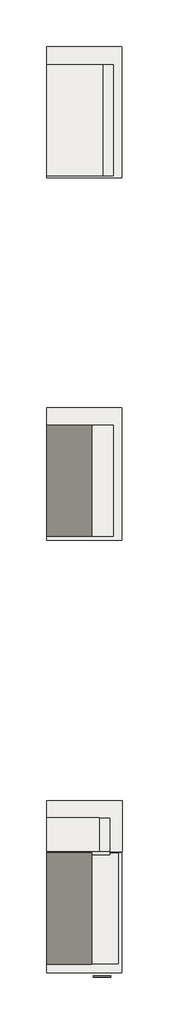
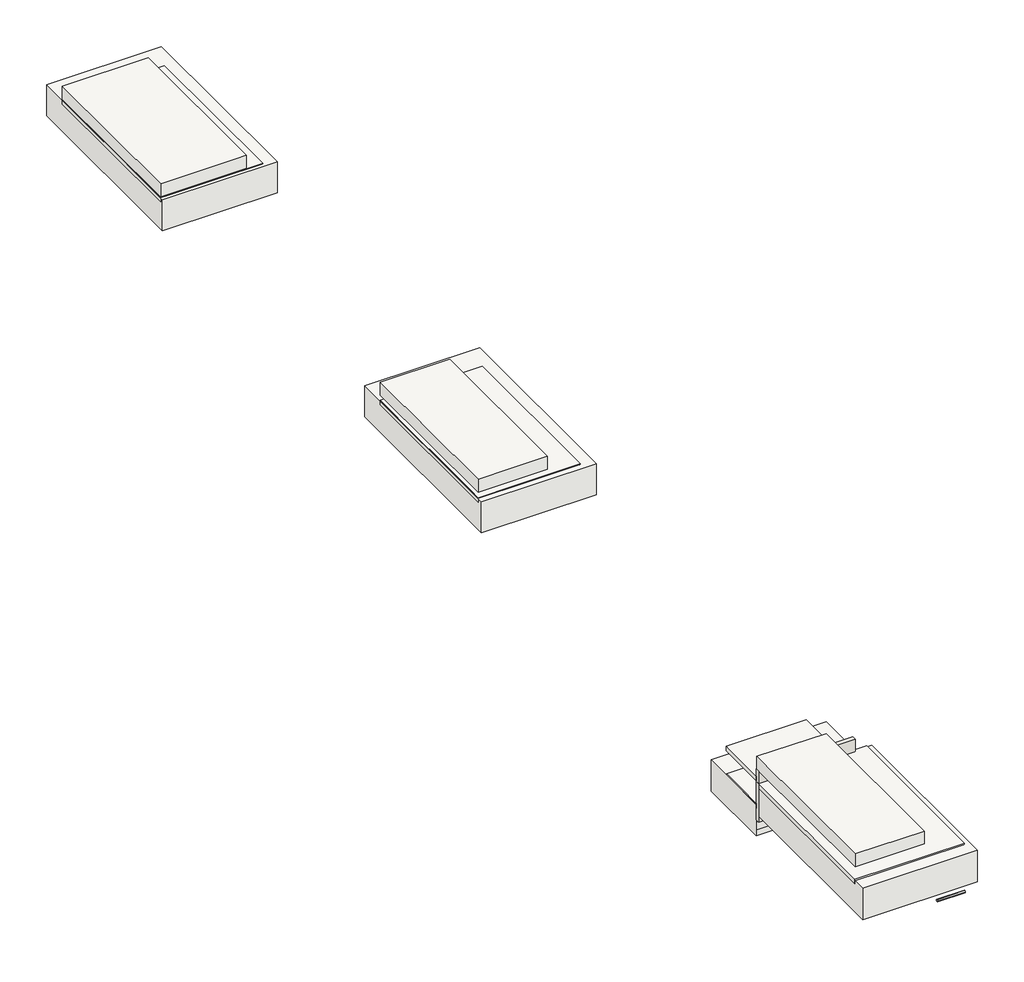
# One storey: 7 slabs, 5 coverings, 1 pipe segment, 1 wall.
"""IFC4 building model written with IfcOpenShell, lengths in millimetres."""

from ifc_helpers import new_model, si_unit, point, frame, frame_2d, origin, place, context, project, spatial, polyline, circle_curve, trimmed, segment, composite_curve, outline, extrude, element, save

model = new_model("IFC4")

# Units and contexts
model_context = context("Model", 3, world=origin())
ifc_project = project(units=[si_unit("LENGTHUNIT", "METRE", prefix="MILLI")], contexts=[model_context])

# Site, building, storey
site = spatial("IfcSite", under=ifc_project)
building = spatial("IfcBuilding", under=site)
storey = spatial("IfcBuildingStorey", under=building, Elevation=-300.0)

# Coverings
placement = place(None, origin())
element("IfcCovering", 1, at=placement, inside=storey, context=model_context, shape_type="SweptSolid", body=[
    extrude(outline(polyline([(-22375.7654506, 1754.7450289), (-22375.7654506, -111.0279521), (-23495.7654506, -111.0279521), (-23495.7654506, 1754.7450289), (-22375.7654506, 1754.7450289)])), frame((0.0, 0.0, 490.8597495), z_axis=(0.0, 0.0, 1.0), x_axis=(1.0, 0.0, 0.0)), (0.0, 0.0, 1.0), 52.0),
])
element("IfcCovering", 2, at=placement, inside=storey, context=model_context, shape_type="SweptSolid", body=[
    extrude(outline(polyline([(-22375.7654506, -4287.4226586), (-22375.7654506, -6153.1956396), (-23495.7654506, -6153.1956396), (-23495.7654506, -4287.4226586), (-22375.7654506, -4287.4226586)])), frame((0.0, 0.0, 665.0), z_axis=(0.0, 0.0, 1.0), x_axis=(1.0, 0.0, 0.0)), (0.0, 0.0, 1.0), 52.0),
])
element("IfcCovering", 3, at=placement, inside=storey, context=model_context, shape_type="SweptSolid", body=[
    extrude(outline(polyline([(-22295.7654506, -11459.4819075), (-22295.7654506, -13317.8045571), (-23495.7654506, -13317.8045571), (-23495.7654506, -11459.4819075), (-22295.7654506, -11459.4819075)])), frame((0.0, 0.0, 581.2434165), z_axis=(0.0, 0.0, 1.0), x_axis=(1.0, 0.0, 0.0)), (0.0, 0.0, 1.0), 52.0),
])
element("IfcCovering", 4, at=placement, inside=storey, context=model_context, shape_type="SweptSolid", body=[
    extrude(outline(polyline([(-22615.7654506, -10871.448627), (-22615.7654506, -11442.8742285), (-23495.7654506, -11442.8742285), (-23495.7654506, -10871.448627), (-22615.7654506, -10871.448627)])), frame((0.0, 0.0, 640.0), z_axis=(0.0, 0.0, 1.0), x_axis=(1.0, 0.0, 0.0)), (0.0, 0.0, 1.0), 52.0),
])
element("IfcCovering", 5, at=placement, inside=storey, context=model_context, shape_type="SweptSolid", body=[
    extrude(outline(polyline([(-22435.7654506, -10877.5808547), (-22435.7654506, -11443.5520856), (-23495.7654506, -11443.5520856), (-23495.7654506, -10877.5808547), (-22435.7654506, -10877.5808547)])), frame((0.0, 0.0, 320.0), z_axis=(0.0, 0.0, 1.0), x_axis=(1.0, 0.0, 0.0)), (0.0, 0.0, 1.0), 57.0),
])

# Pipe segment
element("IfcPipeSegment", 6, at=placement, inside=storey, context=model_context, shape_type="SweptSolid", body=[
    extrude(outline(composite_curve([segment(trimmed(circle_curve(frame_2d((-13531.1956396, 240.4836339)), 13.335), [point((-13517.8606396, 240.4836339))], [point((-13531.1956396, 227.1486339))], False, "CARTESIAN"), True, "CONTINUOUS"), segment(trimmed(circle_curve(frame_2d((-13531.1956396, 240.4836339)), 13.335), [point((-13531.1956396, 227.1486339))], [point((-13544.5306396, 240.4836339))], False, "CARTESIAN"), True, "CONTINUOUS"), segment(trimmed(circle_curve(frame_2d((-13531.1956396, 240.4836339)), 13.335), [point((-13544.5306396, 240.4836339))], [point((-13531.1956396, 253.8186339))], False, "CARTESIAN"), True, "CONTINUOUS"), segment(trimmed(circle_curve(frame_2d((-13531.1956396, 240.4836339)), 13.335), [point((-13531.1956396, 253.8186339))], [point((-13517.8606396, 240.4836339))], False, "CARTESIAN"), True, "CONTINUOUS")], self_intersect=False)), frame((-22716.1686937, 0.0, 0.0), z_axis=(1.0, 0.0, 0.0), x_axis=(0.0, 1.0, 0.0)), (0.0, 0.0, 1.0), 300.0),
])

# Slabs
element("IfcSlab", 7, at=placement, inside=storey, context=model_context, shape_type="SweptSolid", body=[
    extrude(outline(polyline([(-23495.7654506, 1753.7488775), (-22555.7654506, 1753.7488775), (-22555.7654506, -112.4546842), (-23495.7654506, -112.4546842), (-23495.7654506, 1753.7488775)])), frame((0.0, 0.0, 550.0), z_axis=(0.0, 0.0, 1.0), x_axis=(1.0, 0.0, 0.0)), (0.0, 0.0, 1.0), 150.0),
])
element("IfcSlab", 8, at=placement, inside=storey, context=model_context, shape_type="SweptSolid", body=[
    extrude(outline(polyline([(-23495.7654506, 2056.7660861), (-22235.7654506, 2056.7660861), (-22235.7654506, -146.1745824), (-23495.7654506, -146.1745824), (-23495.7654506, 2056.7660861)])), frame((0.0, 0.0, 173.0), z_axis=(0.0, 0.0, 1.0), x_axis=(1.0, 0.0, 0.0)), (0.0, 0.0, 1.0), 362.0),
])
element("IfcSlab", 9, at=placement, inside=storey, context=model_context, shape_type="SweptSolid", body=[
    extrude(outline(polyline([(-23495.7654506, -4293.993182), (-22735.7654506, -4293.993182), (-22735.7654506, -6151.0503408), (-23495.7654506, -6151.0503408), (-23495.7654506, -4293.993182)])), frame((0.0, 0.0, 780.0), z_axis=(0.0, 0.0, 1.0), x_axis=(1.0, 0.0, 0.0)), (0.0, 0.0, 1.0), 150.0),
])
element("IfcSlab", 10, at=placement, inside=storey, context=model_context, shape_type="SweptSolid", body=[
    extrude(outline(polyline([(-23495.7654506, -3994.907487), (-22235.7654506, -3994.907487), (-22235.7654506, -6213.993182), (-23495.7654506, -6213.993182), (-23495.7654506, -3994.907487)])), frame((0.0, 0.0, 348.0), z_axis=(0.0, 0.0, 1.0), x_axis=(1.0, 0.0, 0.0)), (0.0, 0.0, 1.0), 362.0),
])
element("IfcSlab", 11, at=placement, inside=storey, context=model_context, shape_type="SweptSolid", body=[
    extrude(outline(polyline([(-23495.7654506, -11452.9599615), (-22735.7654506, -11452.9599615), (-22735.7654506, -13319.1635232), (-23495.7654506, -13319.1635232), (-23495.7654506, -11452.9599615)])), frame((0.0, 0.0, 777.0), z_axis=(0.0, 0.0, 1.0), x_axis=(1.0, 0.0, 0.0)), (0.0, 0.0, 1.0), 150.0),
])
element("IfcSlab", 12, at=placement, inside=storey, context=model_context, shape_type="SweptSolid", body=[
    extrude(outline(polyline([(-13464.8861862, 253.0), (-13464.8861862, 615.0), (-11454.8712444, 615.0), (-11449.8861862, 434.0), (-11449.8861862, 72.0), (-11454.8712444, 253.0), (-13464.8861862, 253.0)])), frame((-23495.7654506, 0.0, 0.0), z_axis=(1.0, 0.0, 0.0), x_axis=(0.0, 1.0, 0.0)), (0.0, 0.0, 1.0), 1260.0),
])
element("IfcSlab", 13, at=placement, inside=storey, context=model_context, shape_type="SweptSolid", body=[
    extrude(outline(polyline([(-23495.7654506, -10581.8752804), (-22230.7654506, -10581.8752804), (-22230.7654506, -11438.3015705), (-23495.7654506, -11438.3015705), (-23495.7654506, -10581.8752804)])), frame((0.0, 0.0, -2.0), z_axis=(0.0, 0.0, 1.0), x_axis=(1.0, 0.0, 0.0)), (0.0, 0.0, 1.0), 362.0),
])

# Wall
element("IfcWall", 14, at=placement, inside=storey, context=model_context, shape_type="SweptSolid", body=[
    extrude(outline(polyline([(-23495.7654506, -11437.5808547), (-22435.7654506, -11437.5808547), (-22435.7654506, -11487.5808547), (-23495.7654506, -11487.5808547), (-23495.7654506, -11437.5808547)])), frame((0.0, 0.0, 184.9750179), z_axis=(0.0, 0.0, 1.0), x_axis=(1.0, 0.0, 0.0)), (0.0, 0.0, 1.0), 590.0249821),
])

save(model, "model.ifc")
